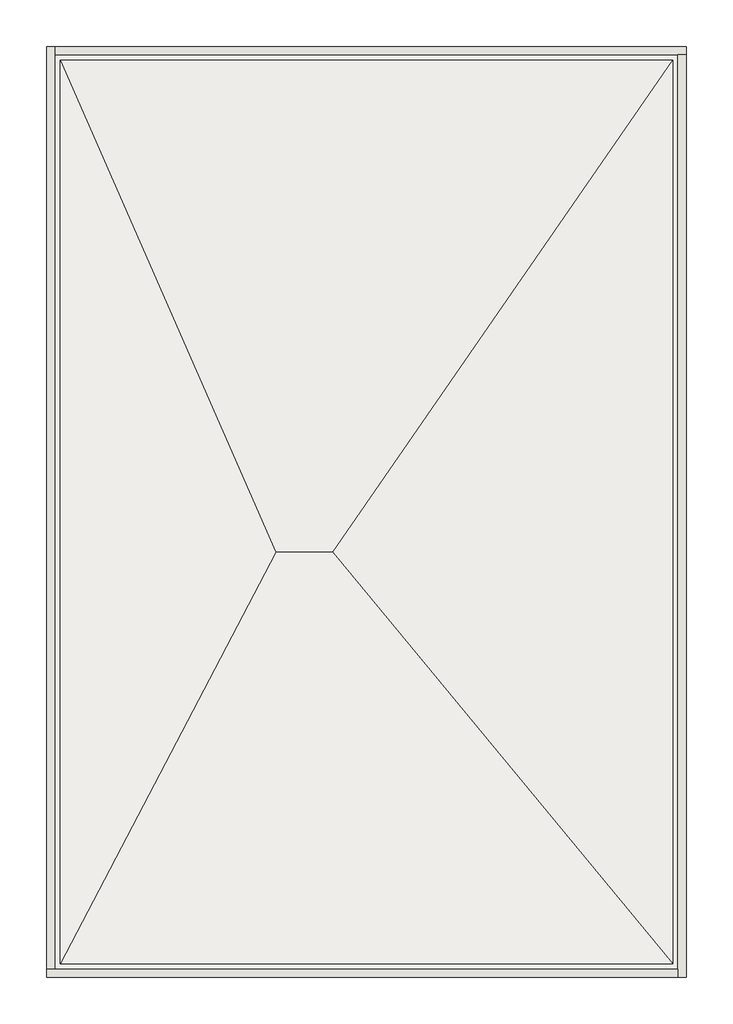
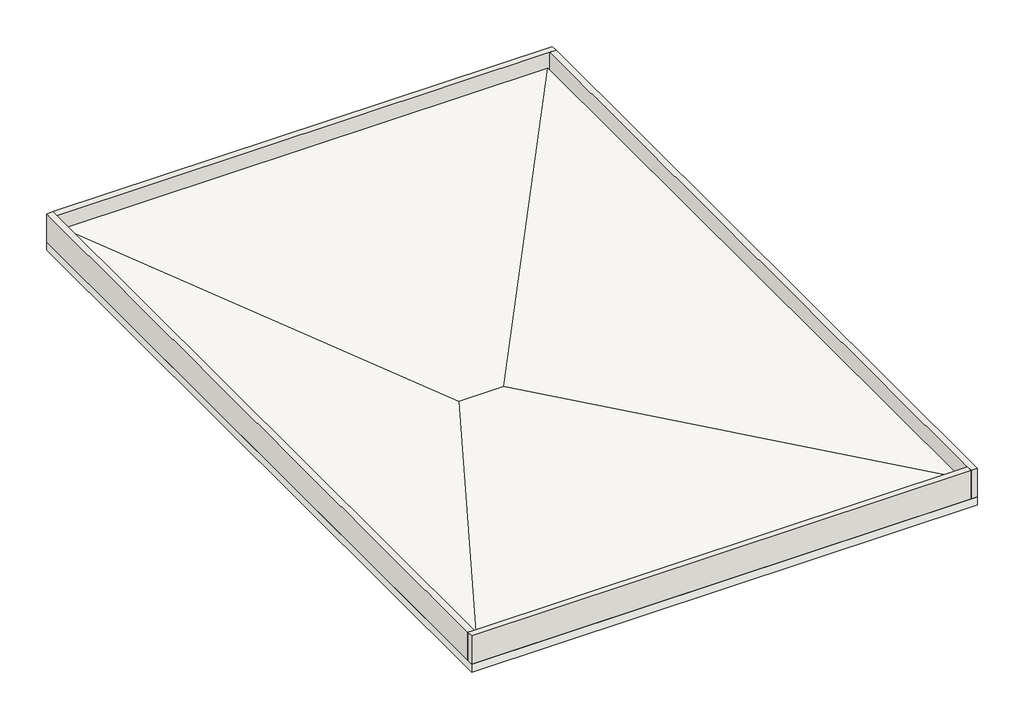
# One storey: 4 walls, 3 slabs.
"""IFC4 building model written with IfcOpenShell, lengths in millimetres."""

import ifcopenshell
import ifcopenshell.guid

model = None  # the IFC model being written
_history = None  # IfcOwnerHistory: only IFC2X3 demands one
_inside = {}  # id of a spatial element -> (the spatial element, [elements in it])
_under = {}  # id of a project, library or spatial element -> (it, [spatial elements below it])
_declared = {}  # id of a project -> (the project, [libraries it declares])
_typed = {}  # id of a type object -> (the type object, [elements of that type])
_made_of = {}  # id of a material, layer set ... -> (it, [elements and type objects made of it])


def new_model(schema):
    """Start an empty IFC model of exactly this schema.

    Asked for "IFC4X3", IfcOpenShell would pick the latest addendum, in which some entities
    have other attributes; the version numbers below select the first issue.
    IFC2X3 requires an IfcOwnerHistory on every rooted entity: one is made here for all.
    """
    global model, _history
    if schema == "IFC4X3":
        model = ifcopenshell.file(schema_version=(4, 3, 0, 0))
    else:
        model = ifcopenshell.file(schema=schema)
    _inside.clear()
    _under.clear()
    _declared.clear()
    _typed.clear()
    _made_of.clear()
    _history = None
    if model.schema == "IFC2X3":
        org = make("IfcOrganization", Name="unknown")
        user = make(
            "IfcPersonAndOrganization",
            ThePerson=make("IfcPerson", FamilyName="unknown"),
            TheOrganization=org,
        )
        app = make(
            "IfcApplication",
            ApplicationDeveloper=org,
            Version="unknown",
            ApplicationFullName="unknown",
            ApplicationIdentifier="unknown",
        )
        _history = make(
            "IfcOwnerHistory",
            OwningUser=user,
            OwningApplication=app,
            ChangeAction="ADDED",
            CreationDate=0,
        )
    return model


def make(cls, **values):
    """One entity of the class cls with the attributes given. An attribute that is None is left unset."""
    return model.create_entity(
        cls, **{name: value for name, value in values.items() if value is not None}
    )


def rooted(cls, **values):
    """An entity with a GlobalId (a new one), such as an element, a storey or a relation."""
    return make(cls, GlobalId=ifcopenshell.guid.new(), OwnerHistory=_history, **values)


def si_unit(unit_type, name, prefix=None):
    """IfcSIUnit, for example si_unit("LENGTHUNIT", "METRE", prefix="MILLI")."""
    return make("IfcSIUnit", UnitType=unit_type, Prefix=prefix, Name=name)


def assignment(units):
    """IfcUnitAssignment: the units of a project."""
    return None if units is None else make("IfcUnitAssignment", Units=units)


def point(xyz):
    """IfcCartesianPoint."""
    return None if xyz is None else make("IfcCartesianPoint", Coordinates=xyz)


def direction(xyz):
    """IfcDirection."""
    return None if xyz is None else make("IfcDirection", DirectionRatios=xyz)


def frame(location, z_axis=None, x_axis=None):
    """IfcAxis2Placement3D, a coordinate frame: its origin and axes. An axis left out is left unset."""
    return make(
        "IfcAxis2Placement3D",
        Location=point(location),
        Axis=direction(z_axis),
        RefDirection=direction(x_axis),
    )


def origin():
    """The frame at (0, 0, 0) with its axes left unset."""
    return frame((0.0, 0.0, 0.0))


def place(relative_to, where):
    """IfcLocalPlacement: puts the frame where relative to a parent placement (None: the world)."""
    return make(
        "IfcLocalPlacement", PlacementRelTo=relative_to, RelativePlacement=where
    )


def context(
    kind, dimensions, precision=None, world=None, true_north=None, identifier=None
):
    """IfcGeometricRepresentationContext, for example the 3D "Model" context."""
    return make(
        "IfcGeometricRepresentationContext",
        ContextIdentifier=identifier,
        ContextType=kind,
        CoordinateSpaceDimension=dimensions,
        Precision=precision,
        WorldCoordinateSystem=world,
        TrueNorth=true_north,
    )


def project(units=None, contexts=None):
    """IfcProject with its units and contexts."""
    return rooted(
        "IfcProject",
        Name="project",
        RepresentationContexts=contexts,
        UnitsInContext=assignment(units),
    )


def spatial(cls, under=None, at=None, **own):
    """A site, building, storey or space (cls), placed at a placement, below another one or the project."""
    s = rooted(cls, ObjectPlacement=at, **own)
    if under is not None:
        _under.setdefault(under.id(), (under, []))[1].append(s)
    return s


def polyline(points):
    """IfcPolyline through the points."""
    return make("IfcPolyline", Points=[point(p) for p in points])


def outline(outer, holes=None, kind="AREA"):
    """IfcArbitraryClosedProfileDef: a profile drawn as a closed curve; with holes, ...WithVoids."""
    if holes is None:
        return make("IfcArbitraryClosedProfileDef", ProfileType=kind, OuterCurve=outer)
    return make(
        "IfcArbitraryProfileDefWithVoids",
        ProfileType=kind,
        OuterCurve=outer,
        InnerCurves=holes,
    )


def extrude(swept, where, along, depth):
    """IfcExtrudedAreaSolid: the profile swept, set in the frame where, extruded along a direction by depth."""
    return make(
        "IfcExtrudedAreaSolid",
        SweptArea=swept,
        Position=where,
        ExtrudedDirection=direction(along),
        Depth=depth,
    )


def faces_of(points, faces, orient=None, outer=None):
    """IfcFace entities. A face is a list of loops; a loop is a list of indices into points, from 0.

    orient and outer hold one flag for each loop. By default every Orientation is true, the
    first loop of a face is its IfcFaceOuterBound and the others are IfcFaceBound.
    """
    made = []
    for i, loops in enumerate(faces):
        bounds = []
        for j, loop in enumerate(loops):
            is_outer = j == 0 if outer is None else outer[i][j]
            bounds.append(
                make(
                    "IfcFaceOuterBound" if is_outer else "IfcFaceBound",
                    Bound=make("IfcPolyLoop", Polygon=[points[k] for k in loop]),
                    Orientation=True if orient is None else orient[i][j],
                )
            )
        made.append(make("IfcFace", Bounds=bounds))
    return made


def faceted_brep(points, faces, orient=None, outer=None, voids=None):
    """IfcFacetedBrep: a solid bounded by flat faces; with voids (closed shells), ...WithVoids."""
    shared = [point(p) for p in points]
    hull = make("IfcClosedShell", CfsFaces=faces_of(shared, faces, orient, outer))
    if voids is None:
        return make("IfcFacetedBrep", Outer=hull)
    return make(
        "IfcFacetedBrepWithVoids",
        Outer=hull,
        Voids=[
            make(cls, CfsFaces=faces_of(shared, fs, o, b)) for cls, fs, o, b in voids
        ],
    )


def shape(context_of_items, identifier, shape_type, items):
    """IfcShapeRepresentation: the items that make up one representation, for example the "Body"."""
    return make(
        "IfcShapeRepresentation",
        ContextOfItems=context_of_items,
        RepresentationIdentifier=identifier,
        RepresentationType=shape_type,
        Items=items,
    )


def made_of(thing, what):
    """Note that an element or type object is made of a material, layer set ...; save() writes the relation."""
    if what is not None:
        _made_of.setdefault(what.id(), (what, []))[1].append(thing)
    return thing


def element(
    cls,
    number,
    at=None,
    inside=None,
    cuts=None,
    type_object=None,
    material=None,
    context=None,
    identifier="Body",
    shape_type=None,
    held_by="IfcProductDefinitionShape",
    body=None,
    shapes=None,
    **own,
):
    """One element of the class cls, such as IfcWall. Its Tag is "e" and its number.

    at: its placement. inside: the storey or other place that contains it. cuts: it is an
    opening in that element (IfcRelVoidsElement). A single representation is given by context,
    identifier, shape_type and body (its items); several are given by shapes. held_by: the class
    of the entity that holds the representations. save() writes the other relations.
    """
    e = rooted(cls, Tag="e%d" % number, ObjectPlacement=at, **own)
    if body is not None:
        shapes = [shape(context, identifier, shape_type, body)]
    if shapes is not None:
        e.Representation = make(held_by, Representations=shapes)
    if inside is not None:
        _inside.setdefault(inside.id(), (inside, []))[1].append(e)
    if cuts is not None:
        rooted(
            "IfcRelVoidsElement", RelatingBuildingElement=cuts, RelatedOpeningElement=e
        )
    if type_object is not None:
        _typed.setdefault(type_object.id(), (type_object, []))[1].append(e)
    return made_of(e, material)


def aggregate(whole, parts):
    """IfcRelAggregates: a whole, such as a stair, and the parts it consists of."""
    return rooted("IfcRelAggregates", RelatingObject=whole, RelatedObjects=parts)


def save(model, path):
    """Write the relations noted so far, then the file.

    IfcRelAggregates (storeys below a building ...), IfcRelContainedInSpatialStructure (elements
    in a storey), IfcRelDefinesByType, IfcRelAssociatesMaterial and IfcRelDeclares: one each for
    every whole, place, type object, material and project.
    """
    for whole, parts in _under.values():
        aggregate(whole, parts)
    for where, things in _inside.values():
        rooted(
            "IfcRelContainedInSpatialStructure",
            RelatedElements=things,
            RelatingStructure=where,
        )
    for kind, things in _typed.values():
        rooted("IfcRelDefinesByType", RelatedObjects=things, RelatingType=kind)
    for what, things in _made_of.values():
        rooted("IfcRelAssociatesMaterial", RelatedObjects=things, RelatingMaterial=what)
    for by, libraries in _declared.values():
        rooted("IfcRelDeclares", RelatingContext=by, RelatedDefinitions=libraries)
    model.write(path)


model = new_model("IFC4")

# Units and contexts
model_context = context("Model", 3, world=origin())
ifc_project = project(units=[si_unit("LENGTHUNIT", "METRE", prefix="MILLI")], contexts=[model_context])

# Site, building, storey
site = spatial("IfcSite", under=ifc_project)
building = spatial("IfcBuilding", under=site)
storey = spatial("IfcBuildingStorey", under=building, Elevation=6750.0)

# Slabs
placement = place(None, origin())
element("IfcSlab", 1, at=placement, inside=storey, context=model_context, shape_type="Brep", body=[
    faceted_brep([(16214.4559604, 21272.6573753, 6550.0), (16214.4559604, 4022.6573753, 6550.0), (4364.4559604, 4022.6573753, 6550.0), (4364.4559604, 21272.6573753, 6550.0), (16214.4559604, 21272.6573753, 6750.0), (4514.4559604, 21272.6573753, 6750.0), (4364.4559604, 21272.6573753, 6750.0), (4364.4559604, 4172.6573753, 6750.0), (4364.4559604, 4022.6573753, 6750.0), (16064.4559604, 4022.6573753, 6750.0), (16214.4559604, 4022.6573753, 6750.0), (16214.4559604, 21122.6573753, 6750.0)], [[[0, 1, 2, 3]], [[4, 5, 6, 7, 8, 9, 10, 11]], [[1, 0, 4, 11, 10]], [[2, 1, 10, 9, 8]], [[3, 2, 8, 7, 6]], [[0, 3, 6, 5, 4]]]),
])
element("IfcSlab", 2, at=placement, inside=storey, context=model_context, shape_type="SweptSolid", body=[
    extrude(outline(polyline([(16064.4559604, 21122.6573753), (16064.4559604, 4172.6573753), (4514.4559604, 4172.6573753), (4514.4559604, 21122.6573753), (16064.4559604, 21122.6573753)])), frame((0.0, 0.0, 6750.0), z_axis=(0.0, 0.0, 1.0), x_axis=(1.0, 0.0, 0.0)), (0.0, 0.0, 1.0), 200.0),
])
element("IfcSlab", 3, at=placement, inside=storey, context=model_context, shape_type="Brep", body=[
    faceted_brep([(15964.4559604, 21022.6573753, 6950.0), (15964.4559604, 4272.6573753, 6950.0), (4614.4559604, 4272.6573753, 6950.0), (4614.4559604, 21022.6573753, 6950.0), (15964.4559604, 21022.6573753, 7150.0), (15964.4559604, 4272.6573753, 7150.0), (4614.4559604, 4272.6573753, 7150.0), (4614.4559604, 21022.6573753, 7150.0), (8614.4559604, 11902.6573753, 7000.0), (9664.4559604, 11902.6573753, 7000.0)], [[[0, 1, 2, 3]], [[1, 0, 4, 5]], [[2, 1, 5, 6]], [[3, 2, 6, 7]], [[0, 3, 7, 4]], [[7, 6, 8]], [[6, 5, 9, 8]], [[5, 4, 9]], [[7, 8, 9, 4]]]),
])

# Walls
element("IfcWall", 4, at=placement, inside=storey, context=model_context, shape_type="Brep", body=[
    faceted_brep([(16064.4559604, 4022.6573753, 7450.0), (16064.4559604, 4172.6573753, 7450.0), (16064.4559604, 21122.6573753, 7450.0), (16064.4559604, 21122.6573753, 6750.0), (16064.4559604, 4172.6573753, 6750.0), (16064.4559604, 4022.6573753, 6750.0), (16214.4559604, 21122.6573753, 7450.0), (16214.4559604, 4022.6573753, 7450.0), (16214.4559604, 4022.6573753, 6750.0), (16214.4559604, 21122.6573753, 6750.0)], [[[0, 1, 2, 3, 4, 5]], [[6, 7, 8, 9]], [[2, 1, 0, 7, 6]], [[7, 0, 5, 8]], [[2, 6, 9, 3]], [[5, 4, 3, 9, 8]]]),
])
element("IfcWall", 5, at=placement, inside=storey, context=model_context, shape_type="Brep", body=[
    faceted_brep([(4364.4559604, 4172.6573753, 7450.0), (4514.4559604, 4172.6573753, 7450.0), (16064.4559604, 4172.6573753, 7450.0), (16064.4559604, 4172.6573753, 6750.0), (4514.4559604, 4172.6573753, 6750.0), (4364.4559604, 4172.6573753, 6750.0), (16064.4559604, 4022.6573753, 7450.0), (4364.4559604, 4022.6573753, 7450.0), (4364.4559604, 4022.6573753, 6750.0), (16064.4559604, 4022.6573753, 6750.0)], [[[0, 1, 2, 3, 4, 5]], [[6, 7, 8, 9]], [[2, 1, 0, 7, 6]], [[7, 0, 5, 8]], [[2, 6, 9, 3]], [[5, 4, 3, 9, 8]]]),
])
element("IfcWall", 6, at=placement, inside=storey, context=model_context, shape_type="Brep", body=[
    faceted_brep([(4514.4559604, 21272.6573753, 7450.0), (4514.4559604, 21122.6573753, 7450.0), (4514.4559604, 4172.6573753, 7450.0), (4514.4559604, 4172.6573753, 6750.0), (4514.4559604, 21122.6573753, 6750.0), (4514.4559604, 21272.6573753, 6750.0), (4364.4559604, 4172.6573753, 7450.0), (4364.4559604, 21272.6573753, 7450.0), (4364.4559604, 21272.6573753, 6750.0), (4364.4559604, 4172.6573753, 6750.0)], [[[0, 1, 2, 3, 4, 5]], [[6, 7, 8, 9]], [[2, 1, 0, 7, 6]], [[7, 0, 5, 8]], [[2, 6, 9, 3]], [[5, 4, 3, 9, 8]]]),
])
element("IfcWall", 7, at=placement, inside=storey, context=model_context, shape_type="Brep", body=[
    faceted_brep([(4514.4559604, 21122.6573753, 6750.0), (16064.4559604, 21122.6573753, 6750.0), (16214.4559604, 21122.6573753, 6750.0), (16214.4559604, 21122.6573753, 7450.0), (16064.4559604, 21122.6573753, 7450.0), (4514.4559604, 21122.6573753, 7450.0), (4514.4559604, 21272.6573753, 6750.0), (4514.4559604, 21272.6573753, 7450.0), (16214.4559604, 21272.6573753, 7450.0), (16214.4559604, 21272.6573753, 6750.0)], [[[0, 1, 2, 3, 4, 5]], [[6, 7, 8, 9]], [[2, 1, 0, 6, 9]], [[5, 4, 3, 8, 7]], [[3, 2, 9, 8]], [[0, 5, 7, 6]]]),
])

save(model, "model.ifc")
